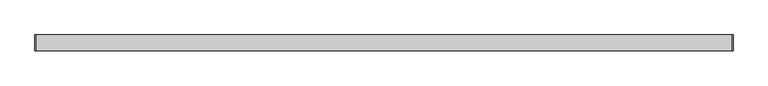
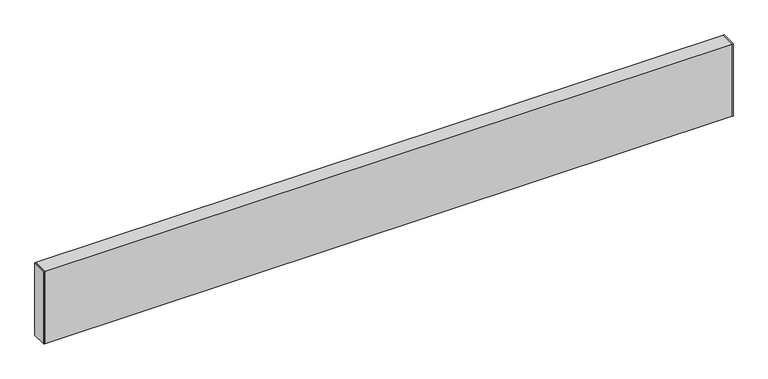
"""IFC4 building model written with IfcOpenShell, lengths in millimetres: proxy geometry."""

from ifc_helpers import new_model, si_unit, frame, origin, origin_with_axes, place, context, project, spatial, polyline, outline, extrude, source, transform, mapped, element, save


def generic_models_c7fa62c7(model_context):
    return source(origin(), model_context, "Body", "SweptSolid", [
        extrude(outline(polyline([(0.0, -20.64), (0.0, 20.64), (1.651, 20.64), (1.651, -20.64), (0.0, -20.64)])), origin_with_axes(), (0.0, 0.0, 1.0), 203.2),
        extrude(outline(polyline([(1828.8, -20.64), (1827.149, -20.64), (1827.149, 20.64), (1828.8, 20.64), (1828.8, -20.64)])), origin_with_axes(), (0.0, 0.0, 1.0), 203.2),
        extrude(outline(polyline([(-20.64, 0.0), (-20.64, 203.2), (20.64, 203.2), (20.64, 0.0), (-20.64, 0.0)]), holes=[polyline([(18.99, 1.95), (18.99, 201.25), (-18.99, 201.25), (-18.99, 1.95), (18.99, 1.95)])]), frame((1.651, 0.0, 0.0), z_axis=(1.0, 0.0, 0.0), x_axis=(0.0, 1.0, 0.0)), (0.0, 0.0, 1.0), 1825.498),
    ])


if __name__ == "__main__":
    model = new_model("IFC4")
    model_context = context("Model", 3, world=origin())
    ifc_project = project(units=[si_unit("LENGTHUNIT", "METRE", prefix="MILLI")], contexts=[model_context])
    site = spatial("IfcSite", under=ifc_project)
    building = spatial("IfcBuilding", under=site)
    placement = place(None, origin())
    generic_models_shape = generic_models_c7fa62c7(model_context)
    element("IfcBuildingElementProxy", 1, Name="Generic Models", at=placement, inside=building, context=model_context, shape_type="MappedRepresentation", body=[
        mapped(generic_models_shape, transform((0.0, 0.0, 0.0), x_axis=(1.0, 0.0, 0.0), y_axis=(0.0, 1.0, 0.0), z_axis=(0.0, 0.0, 1.0))),
    ])
    save(model, "model.ifc")
